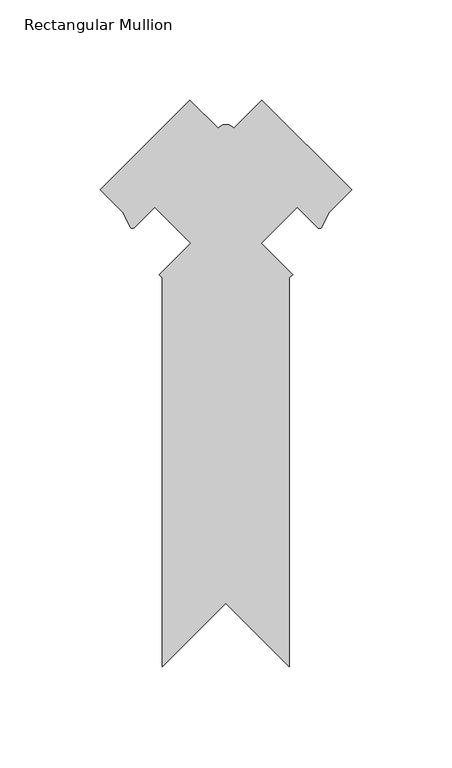
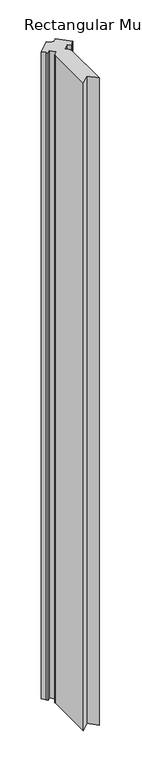
"""IFC4 building model written with IfcOpenShell, lengths in millimetres: member geometry, Rectangular Mullion."""

from ifc_helpers import new_model, si_unit, point, frame, frame_2d, origin, place, context, project, spatial, polyline, circle_curve, trimmed, segment, composite_curve, outline, extrude, source, transform, mapped, element, save


def rectangular_mullion_233a2ca2(model_context):
    return source(origin(), model_context, "Body", "SweptSolid", [
        extrude(outline(composite_curve([segment(polyline([(-94.6117941, -282.9277637), (-94.6117941, -88.5950212), (-96.2282402, -86.9785751), (-80.512792, -71.2631269), (-98.4352824, -53.3406365)]), True, "CONTINUOUS"), segment(trimmed(circle_curve(frame_2d((221.2597715, -385.5330499)), 461.0387479), [point((-98.4352824, -53.3406365))], [point((-108.4943574, -63.3235815))], True, "CARTESIAN"), True, "CONTINUOUS"), segment(trimmed(circle_curve(frame_2d((-109.638781, -62.0619315)), 1.703369), [point((-108.4943574, -63.3235815))], [point((-110.7607015, -63.3436338))], False, "CARTESIAN"), True, "CONTINUOUS"), segment(polyline([(-110.7607015, -63.3436338), (-114.4983333, -55.8571291), (-125.7235882, -44.6318742), (-80.8223064, 0.2694077), (-66.7186693, -13.8342294)]), True, "CONTINUOUS"), segment(trimmed(circle_curve(frame_2d((-62.8975822, -16.6707649)), 4.7588485), [point((-66.7186693, -13.8342294))], [point((-59.0461965, -13.8755069))], False, "CARTESIAN"), True, "CONTINUOUS"), segment(polyline([(-59.0461965, -13.8755069), (-44.9012819, 0.2694077), (0.0, -44.6318742), (-11.2252549, -55.8571291), (-14.9628868, -63.3436338)]), True, "CONTINUOUS"), segment(trimmed(circle_curve(frame_2d((-16.0848072, -62.0619315)), 1.703369), [point((-14.9628868, -63.3436338))], [point((-17.2292309, -63.3235815))], False, "CARTESIAN"), True, "CONTINUOUS"), segment(trimmed(circle_curve(frame_2d((-346.9833597, -385.5330499)), 461.0387479), [point((-17.2292309, -63.3235815))], [point((-27.2883058, -53.3406365))], True, "CARTESIAN"), True, "CONTINUOUS"), segment(polyline([(-27.2883058, -53.3406365), (-45.2107962, -71.2631269), (-29.495348, -86.9785751), (-31.1117941, -88.5950212), (-31.1117941, -282.9277635), (-62.861794, -251.1777636), (-94.6117941, -282.9277637)]), True, "CONTINUOUS")], self_intersect=False)), frame((0.0, 0.0, -2743.2), z_axis=(0.0, 0.0, 1.0), x_axis=(1.0, 0.0, 0.0)), (0.0, 0.0, 1.0), 2743.2),
    ])


if __name__ == "__main__":
    model = new_model("IFC4")
    model_context = context("Model", 3, world=origin())
    ifc_project = project(units=[si_unit("LENGTHUNIT", "METRE", prefix="MILLI")], contexts=[model_context])
    site = spatial("IfcSite", under=ifc_project)
    building = spatial("IfcBuilding", under=site)
    placement = place(None, origin())
    rectangular_mullion_shape = rectangular_mullion_233a2ca2(model_context)
    element("IfcMember", 1, ObjectType="Rectangular Mullion", at=placement, inside=building, context=model_context, shape_type="MappedRepresentation", body=[
        mapped(rectangular_mullion_shape, transform((0.0, 0.0, 0.0), x_axis=(1.0, 0.0, 0.0), y_axis=(0.0, 1.0, 0.0), z_axis=(0.0, 0.0, 1.0))),
    ])
    save(model, "model.ifc")
